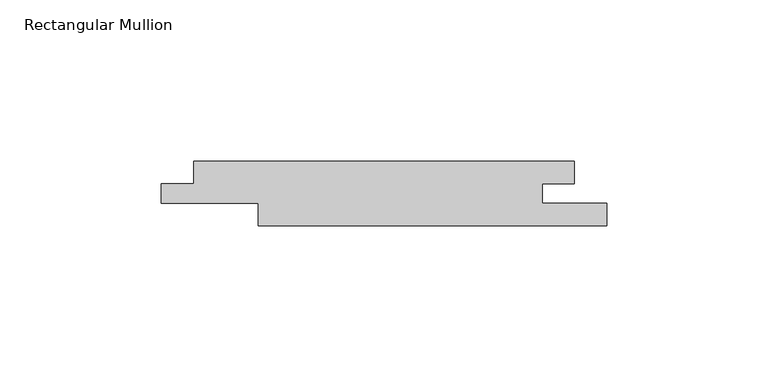
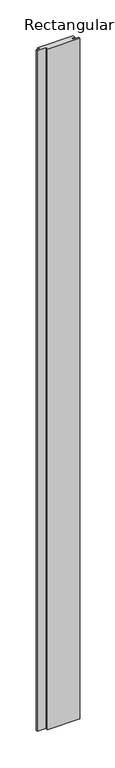
"""IFC4 building model written with IfcOpenShell, lengths in millimetres: member geometry, Rectangular Mullion."""

from ifc_helpers import new_model, si_unit, frame, origin, place, context, project, spatial, polyline, outline, extrude, source, transform, mapped, element, save


def rectangular_mullion_da9e4246(model_context):
    return source(origin(), model_context, "Body", "SweptSolid", [
        extrude(outline(polyline([(-138.0, -7.0), (-128.0288065, -7.0), (-128.0288065, 0.0), (-10.0, 0.0), (-10.0, -7.0), (-20.0, -7.0), (-20.0, -13.0), (0.0, -13.0), (0.0, -20.0), (-108.0288065, -20.0), (-108.0288065, -13.0), (-138.0, -13.0), (-138.0, -7.0)])), frame((0.0, 0.0, -2400.0), z_axis=(0.0, 0.0, 1.0), x_axis=(1.0, 0.0, 0.0)), (0.0, 0.0, 1.0), 2400.0),
    ])


if __name__ == "__main__":
    model = new_model("IFC4")
    model_context = context("Model", 3, world=origin())
    ifc_project = project(units=[si_unit("LENGTHUNIT", "METRE", prefix="MILLI")], contexts=[model_context])
    site = spatial("IfcSite", under=ifc_project)
    building = spatial("IfcBuilding", under=site)
    placement = place(None, origin())
    rectangular_mullion_shape = rectangular_mullion_da9e4246(model_context)
    element("IfcMember", 1, ObjectType="Rectangular Mullion", at=placement, inside=building, context=model_context, shape_type="MappedRepresentation", body=[
        mapped(rectangular_mullion_shape, transform((0.0, 0.0, 0.0), x_axis=(1.0, 0.0, 0.0), y_axis=(0.0, 1.0, 0.0), z_axis=(0.0, 0.0, 1.0))),
    ])
    save(model, "model.ifc")
